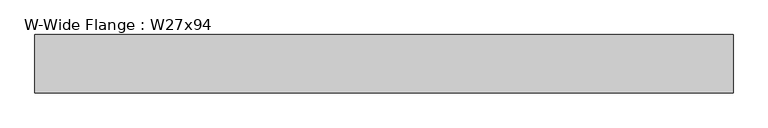
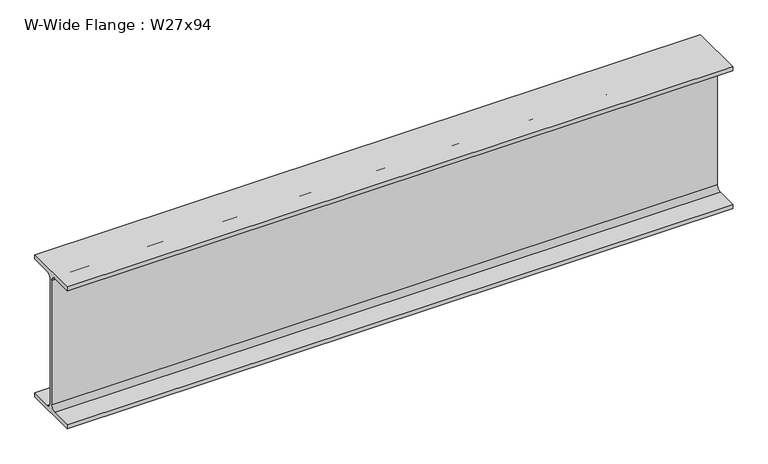
"""IFC4 building model written with IfcOpenShell, lengths in millimetres: beam geometry, W-Wide Flange : W27x94."""

from ifc_helpers import new_model, si_unit, point, frame, frame_2d, origin, place, context, project, spatial, polyline, circle_curve, trimmed, segment, composite_curve, outline, extrude, source, transform, mapped, element, save


def w_wide_flange_w27x94_cdb1a78d(model_context):
    return source(origin(), model_context, "Body", "SweptSolid", [
        extrude(outline(composite_curve([segment(polyline([(127.0, -322.707), (127.0, -341.63), (-127.0, -341.63), (-127.0, -322.707), (-28.575, -322.707)]), True, "CONTINUOUS"), segment(trimmed(circle_curve(frame_2d((-28.575, -300.355)), 22.352), [point((-28.575, -322.707))], [point((-6.223, -300.355))], True, "CARTESIAN"), True, "CONTINUOUS"), segment(polyline([(-6.223, -300.355), (-6.223, 300.355)]), True, "CONTINUOUS"), segment(trimmed(circle_curve(frame_2d((-28.575, 300.355)), 22.352), [point((-6.223, 300.355))], [point((-28.575, 322.707))], True, "CARTESIAN"), True, "CONTINUOUS"), segment(polyline([(-28.575, 322.707), (-127.0, 322.707), (-127.0, 341.63), (127.0, 341.63), (127.0, 322.707), (28.575, 322.707)]), True, "CONTINUOUS"), segment(trimmed(circle_curve(frame_2d((28.575, 300.355)), 22.352), [point((28.575, 322.707))], [point((6.223, 300.355))], True, "CARTESIAN"), True, "CONTINUOUS"), segment(polyline([(6.223, 300.355), (6.223, -300.355)]), True, "CONTINUOUS"), segment(trimmed(circle_curve(frame_2d((28.575, -300.355)), 22.352), [point((6.223, -300.355))], [point((28.575, -322.707))], True, "CARTESIAN"), True, "CONTINUOUS"), segment(polyline([(28.575, -322.707), (127.0, -322.707)]), True, "CONTINUOUS")], self_intersect=False)), frame((-1405.6429489, 0.0, 0.0), z_axis=(1.0, 0.0, 0.0), x_axis=(0.0, 1.0, 0.0)), (0.0, 0.0, 1.0), 3035.4058315),
    ])


if __name__ == "__main__":
    model = new_model("IFC4")
    model_context = context("Model", 3, world=origin())
    ifc_project = project(units=[si_unit("LENGTHUNIT", "METRE", prefix="MILLI")], contexts=[model_context])
    site = spatial("IfcSite", under=ifc_project)
    building = spatial("IfcBuilding", under=site)
    placement = place(None, origin())
    w_wide_flange_w27x94_shape = w_wide_flange_w27x94_cdb1a78d(model_context)
    element("IfcBeam", 1, ObjectType="W-Wide Flange : W27x94", at=placement, inside=building, context=model_context, shape_type="MappedRepresentation", body=[
        mapped(w_wide_flange_w27x94_shape, transform((0.0, 0.0, 0.0), x_axis=(1.0, 0.0, 0.0), y_axis=(0.0, 1.0, 0.0), z_axis=(0.0, 0.0, 1.0))),
    ])
    save(model, "model.ifc")
